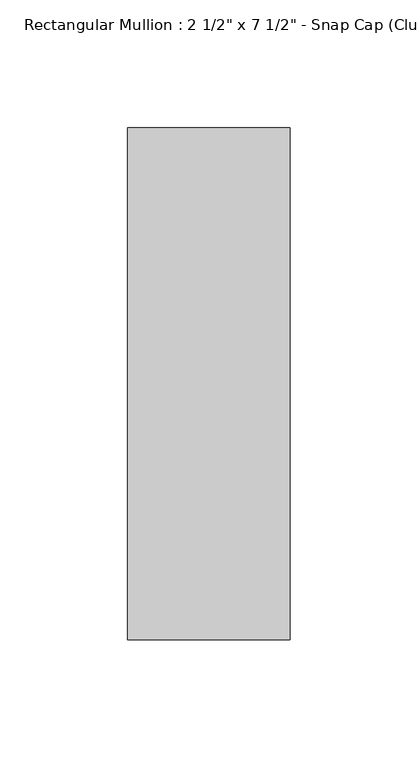
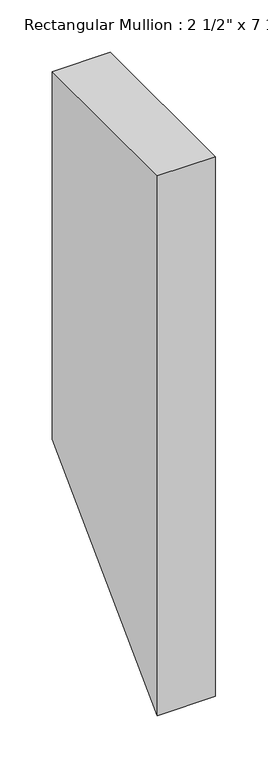
"""IFC4 building model written with IfcOpenShell, lengths in millimetres: member geometry."""

from ifc_helpers import new_model, si_unit, frame, origin, place, context, project, spatial, polyline, outline, extrude, source, transform, mapped, element, save


def member_1cb5ee0a(model_context):
    return source(origin(), model_context, "Body", "SweptSolid", [
        extrude(outline(polyline([(-174.2, 0.0), (25.8, 0.0), (25.8, -427.3663607), (-174.2, -627.3663607), (-174.2, 0.0)])), frame((-63.5, 0.0, 0.0), z_axis=(1.0, 0.0, 0.0), x_axis=(0.0, 1.0, 0.0)), (0.0, 0.0, 1.0), 63.5),
    ])


if __name__ == "__main__":
    model = new_model("IFC4")
    model_context = context("Model", 3, world=origin())
    ifc_project = project(units=[si_unit("LENGTHUNIT", "METRE", prefix="MILLI")], contexts=[model_context])
    site = spatial("IfcSite", under=ifc_project)
    building = spatial("IfcBuilding", under=site)
    placement = place(None, origin())
    member_shape = member_1cb5ee0a(model_context)
    element("IfcMember", 1, ObjectType="Rectangular Mullion : 2 1/2\" x 7 1/2\" - Snap Cap (Club)", at=placement, inside=building, context=model_context, shape_type="MappedRepresentation", body=[
        mapped(member_shape, transform((0.0, 0.0, 0.0), x_axis=(1.0, 0.0, 0.0), y_axis=(0.0, 1.0, 0.0), z_axis=(0.0, 0.0, 1.0))),
    ])
    save(model, "model.ifc")
